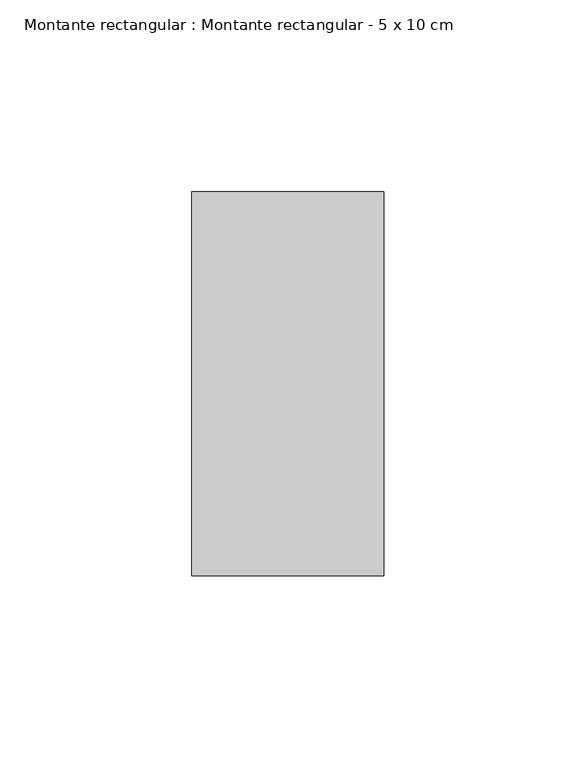
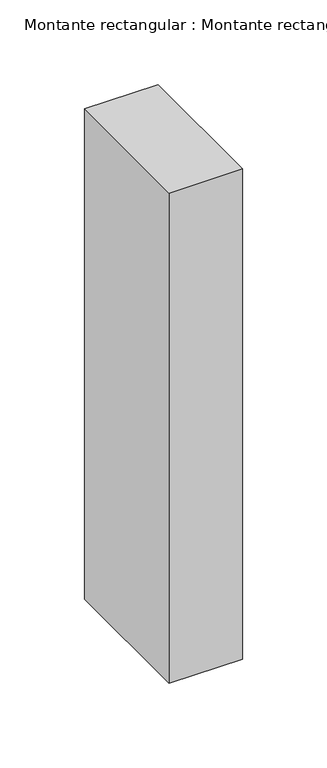
"""IFC4 building model written with IfcOpenShell, lengths in millimetres: member geometry, Montante rectangular : Montante rectangular - 5 x 10 cm."""

from ifc_helpers import new_model, si_unit, frame, origin, place, context, project, spatial, polyline, outline, extrude, source, transform, mapped, element, save


def montante_rectangular_montante_rectangular_5_x_10_cm_bb2e6448(model_context):
    return source(origin(), model_context, "Body", "SweptSolid", [
        extrude(outline(polyline([(-50.0, 50.0), (0.0, 50.0), (0.0, -50.0), (-50.0, -50.0), (-50.0, 50.0)])), frame((0.0, 0.0, -353.3333333), z_axis=(0.0, 0.0, 1.0), x_axis=(1.0, 0.0, 0.0)), (0.0, 0.0, 1.0), 353.3333333),
    ])


if __name__ == "__main__":
    model = new_model("IFC4")
    model_context = context("Model", 3, world=origin())
    ifc_project = project(units=[si_unit("LENGTHUNIT", "METRE", prefix="MILLI")], contexts=[model_context])
    site = spatial("IfcSite", under=ifc_project)
    building = spatial("IfcBuilding", under=site)
    placement = place(None, origin())
    montante_rectangular_montante_rectangular_5_x_10_cm_shape = montante_rectangular_montante_rectangular_5_x_10_cm_bb2e6448(model_context)
    element("IfcMember", 1, ObjectType="Montante rectangular : Montante rectangular - 5 x 10 cm", at=placement, inside=building, context=model_context, shape_type="MappedRepresentation", body=[
        mapped(montante_rectangular_montante_rectangular_5_x_10_cm_shape, transform((0.0, 0.0, 0.0), x_axis=(1.0, 0.0, 0.0), y_axis=(0.0, 1.0, 0.0), z_axis=(0.0, 0.0, 1.0))),
    ])
    save(model, "model.ifc")
